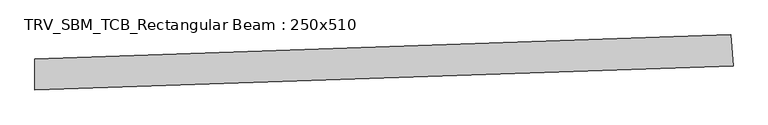
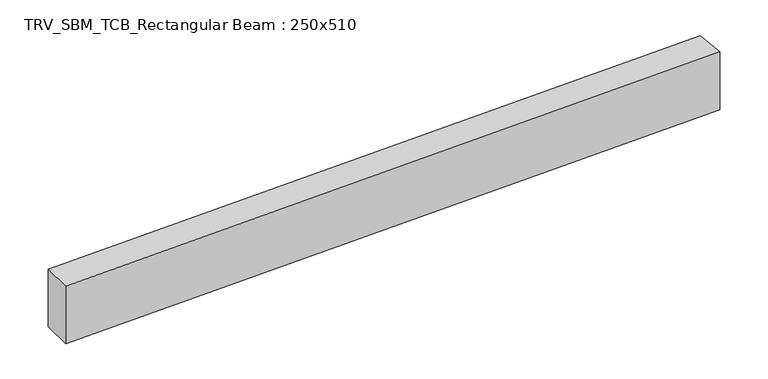
"""IFC4 building model written with IfcOpenShell, lengths in millimetres: beam geometry, TRV_SBM_TCB_Rectangular Beam : 250x510."""

import ifcopenshell
import ifcopenshell.guid

model = None  # the IFC model being written
_history = None  # IfcOwnerHistory: only IFC2X3 demands one
_inside = {}  # id of a spatial element -> (the spatial element, [elements in it])
_under = {}  # id of a project, library or spatial element -> (it, [spatial elements below it])
_declared = {}  # id of a project -> (the project, [libraries it declares])
_typed = {}  # id of a type object -> (the type object, [elements of that type])
_made_of = {}  # id of a material, layer set ... -> (it, [elements and type objects made of it])


def new_model(schema):
    """Start an empty IFC model of exactly this schema.

    Asked for "IFC4X3", IfcOpenShell would pick the latest addendum, in which some entities
    have other attributes; the version numbers below select the first issue.
    IFC2X3 requires an IfcOwnerHistory on every rooted entity: one is made here for all.
    """
    global model, _history
    if schema == "IFC4X3":
        model = ifcopenshell.file(schema_version=(4, 3, 0, 0))
    else:
        model = ifcopenshell.file(schema=schema)
    _inside.clear()
    _under.clear()
    _declared.clear()
    _typed.clear()
    _made_of.clear()
    _history = None
    if model.schema == "IFC2X3":
        org = make("IfcOrganization", Name="unknown")
        user = make(
            "IfcPersonAndOrganization",
            ThePerson=make("IfcPerson", FamilyName="unknown"),
            TheOrganization=org,
        )
        app = make(
            "IfcApplication",
            ApplicationDeveloper=org,
            Version="unknown",
            ApplicationFullName="unknown",
            ApplicationIdentifier="unknown",
        )
        _history = make(
            "IfcOwnerHistory",
            OwningUser=user,
            OwningApplication=app,
            ChangeAction="ADDED",
            CreationDate=0,
        )
    return model


def make(cls, **values):
    """One entity of the class cls with the attributes given. An attribute that is None is left unset."""
    return model.create_entity(
        cls, **{name: value for name, value in values.items() if value is not None}
    )


def rooted(cls, **values):
    """An entity with a GlobalId (a new one), such as an element, a storey or a relation."""
    return make(cls, GlobalId=ifcopenshell.guid.new(), OwnerHistory=_history, **values)


def si_unit(unit_type, name, prefix=None):
    """IfcSIUnit, for example si_unit("LENGTHUNIT", "METRE", prefix="MILLI")."""
    return make("IfcSIUnit", UnitType=unit_type, Prefix=prefix, Name=name)


def assignment(units):
    """IfcUnitAssignment: the units of a project."""
    return None if units is None else make("IfcUnitAssignment", Units=units)


def point(xyz):
    """IfcCartesianPoint."""
    return None if xyz is None else make("IfcCartesianPoint", Coordinates=xyz)


def direction(xyz):
    """IfcDirection."""
    return None if xyz is None else make("IfcDirection", DirectionRatios=xyz)


def frame(location, z_axis=None, x_axis=None):
    """IfcAxis2Placement3D, a coordinate frame: its origin and axes. An axis left out is left unset."""
    return make(
        "IfcAxis2Placement3D",
        Location=point(location),
        Axis=direction(z_axis),
        RefDirection=direction(x_axis),
    )


def frame_2d(location, x_axis=None):
    """IfcAxis2Placement2D, a coordinate frame in the plane: its origin and x axis."""
    return make(
        "IfcAxis2Placement2D", Location=point(location), RefDirection=direction(x_axis)
    )


def origin():
    """The frame at (0, 0, 0) with its axes left unset."""
    return frame((0.0, 0.0, 0.0))


def place(relative_to, where):
    """IfcLocalPlacement: puts the frame where relative to a parent placement (None: the world)."""
    return make(
        "IfcLocalPlacement", PlacementRelTo=relative_to, RelativePlacement=where
    )


def context(
    kind, dimensions, precision=None, world=None, true_north=None, identifier=None
):
    """IfcGeometricRepresentationContext, for example the 3D "Model" context."""
    return make(
        "IfcGeometricRepresentationContext",
        ContextIdentifier=identifier,
        ContextType=kind,
        CoordinateSpaceDimension=dimensions,
        Precision=precision,
        WorldCoordinateSystem=world,
        TrueNorth=true_north,
    )


def project(units=None, contexts=None):
    """IfcProject with its units and contexts."""
    return rooted(
        "IfcProject",
        Name="project",
        RepresentationContexts=contexts,
        UnitsInContext=assignment(units),
    )


def spatial(cls, under=None, at=None, **own):
    """A site, building, storey or space (cls), placed at a placement, below another one or the project."""
    s = rooted(cls, ObjectPlacement=at, **own)
    if under is not None:
        _under.setdefault(under.id(), (under, []))[1].append(s)
    return s


def polyline(points):
    """IfcPolyline through the points."""
    return make("IfcPolyline", Points=[point(p) for p in points])


def circle_curve(where, radius):
    """IfcCircle in the frame where."""
    return make("IfcCircle", Position=where, Radius=radius)


def trimmed(basis, trim1, trim2, sense, master):
    """IfcTrimmedCurve: the piece of a basis curve between two trims."""
    return make(
        "IfcTrimmedCurve",
        BasisCurve=basis,
        Trim1=trim1,
        Trim2=trim2,
        SenseAgreement=sense,
        MasterRepresentation=master,
    )


def segment(curve, same_sense, transition):
    """IfcCompositeCurveSegment."""
    return make(
        "IfcCompositeCurveSegment",
        Transition=transition,
        SameSense=same_sense,
        ParentCurve=curve,
    )


def composite_curve(segments, self_intersect=None):
    """IfcCompositeCurve: segments joined end to end."""
    return make("IfcCompositeCurve", Segments=segments, SelfIntersect=self_intersect)


def outline(outer, holes=None, kind="AREA"):
    """IfcArbitraryClosedProfileDef: a profile drawn as a closed curve; with holes, ...WithVoids."""
    if holes is None:
        return make("IfcArbitraryClosedProfileDef", ProfileType=kind, OuterCurve=outer)
    return make(
        "IfcArbitraryProfileDefWithVoids",
        ProfileType=kind,
        OuterCurve=outer,
        InnerCurves=holes,
    )


def extrude(swept, where, along, depth):
    """IfcExtrudedAreaSolid: the profile swept, set in the frame where, extruded along a direction by depth."""
    return make(
        "IfcExtrudedAreaSolid",
        SweptArea=swept,
        Position=where,
        ExtrudedDirection=direction(along),
        Depth=depth,
    )


def shape(context_of_items, identifier, shape_type, items):
    """IfcShapeRepresentation: the items that make up one representation, for example the "Body"."""
    return make(
        "IfcShapeRepresentation",
        ContextOfItems=context_of_items,
        RepresentationIdentifier=identifier,
        RepresentationType=shape_type,
        Items=items,
    )


def source(mapping_origin, context_of_items, identifier, shape_type, items):
    """IfcRepresentationMap: a shape defined once, which mapped items show again and again."""
    return make(
        "IfcRepresentationMap",
        MappingOrigin=mapping_origin,
        MappedRepresentation=shape(context_of_items, identifier, shape_type, items),
    )


def transform(
    local_origin,
    x_axis=None,
    y_axis=None,
    z_axis=None,
    scale=None,
    scale2=None,
    scale3=None,
    uniform=True,
):
    """IfcCartesianTransformationOperator3D, or its non-uniform kind. x_axis, y_axis, z_axis: its Axis1, 2, 3."""
    if uniform:
        return make(
            "IfcCartesianTransformationOperator3D",
            Axis1=direction(x_axis),
            Axis2=direction(y_axis),
            LocalOrigin=point(local_origin),
            Scale=scale,
            Axis3=direction(z_axis),
        )
    return make(
        "IfcCartesianTransformationOperator3DnonUniform",
        Axis1=direction(x_axis),
        Axis2=direction(y_axis),
        LocalOrigin=point(local_origin),
        Scale=scale,
        Axis3=direction(z_axis),
        Scale2=scale2,
        Scale3=scale3,
    )


def mapped(mapping_source, mapping_target):
    """IfcMappedItem: shows the shape of a source again, moved by a transform."""
    return make(
        "IfcMappedItem", MappingSource=mapping_source, MappingTarget=mapping_target
    )


def made_of(thing, what):
    """Note that an element or type object is made of a material, layer set ...; save() writes the relation."""
    if what is not None:
        _made_of.setdefault(what.id(), (what, []))[1].append(thing)
    return thing


def element(
    cls,
    number,
    at=None,
    inside=None,
    cuts=None,
    type_object=None,
    material=None,
    context=None,
    identifier="Body",
    shape_type=None,
    held_by="IfcProductDefinitionShape",
    body=None,
    shapes=None,
    **own,
):
    """One element of the class cls, such as IfcWall. Its Tag is "e" and its number.

    at: its placement. inside: the storey or other place that contains it. cuts: it is an
    opening in that element (IfcRelVoidsElement). A single representation is given by context,
    identifier, shape_type and body (its items); several are given by shapes. held_by: the class
    of the entity that holds the representations. save() writes the other relations.
    """
    e = rooted(cls, Tag="e%d" % number, ObjectPlacement=at, **own)
    if body is not None:
        shapes = [shape(context, identifier, shape_type, body)]
    if shapes is not None:
        e.Representation = make(held_by, Representations=shapes)
    if inside is not None:
        _inside.setdefault(inside.id(), (inside, []))[1].append(e)
    if cuts is not None:
        rooted(
            "IfcRelVoidsElement", RelatingBuildingElement=cuts, RelatedOpeningElement=e
        )
    if type_object is not None:
        _typed.setdefault(type_object.id(), (type_object, []))[1].append(e)
    return made_of(e, material)


def aggregate(whole, parts):
    """IfcRelAggregates: a whole, such as a stair, and the parts it consists of."""
    return rooted("IfcRelAggregates", RelatingObject=whole, RelatedObjects=parts)


def save(model, path):
    """Write the relations noted so far, then the file.

    IfcRelAggregates (storeys below a building ...), IfcRelContainedInSpatialStructure (elements
    in a storey), IfcRelDefinesByType, IfcRelAssociatesMaterial and IfcRelDeclares: one each for
    every whole, place, type object, material and project.
    """
    for whole, parts in _under.values():
        aggregate(whole, parts)
    for where, things in _inside.values():
        rooted(
            "IfcRelContainedInSpatialStructure",
            RelatedElements=things,
            RelatingStructure=where,
        )
    for kind, things in _typed.values():
        rooted("IfcRelDefinesByType", RelatedObjects=things, RelatingType=kind)
    for what, things in _made_of.values():
        rooted("IfcRelAssociatesMaterial", RelatedObjects=things, RelatingMaterial=what)
    for by, libraries in _declared.values():
        rooted("IfcRelDeclares", RelatingContext=by, RelatedDefinitions=libraries)
    model.write(path)


def trv_sbm_tcb_rectangular_beam_250x510_58c06196(model_context):
    return source(origin(), model_context, "Body", "SweptSolid", [
        extrude(outline(composite_curve([segment(polyline([(5560.4855861, 318.892917), (5577.8993034, 69.5001295)]), True, "CONTINUOUS"), segment(trimmed(circle_curve(frame_2d((0.0, 79954.100757)), 80079.100757), [point((5577.8993034, 69.5001295))], [point((-12.7198682, -124.9989898))], False, "CARTESIAN"), True, "CONTINUOUS"), segment(polyline([(-12.7198682, -124.9989898), (-12.6801579, 125.0010071)]), True, "CONTINUOUS"), segment(trimmed(circle_curve(frame_2d((0.0, 79954.100757)), 79829.100757), [point((-12.6801579, 125.0010071))], [point((5560.4855861, 318.892917))], True, "CARTESIAN"), True, "CONTINUOUS")], self_intersect=False)), frame((0.0, 0.0, -255.0), z_axis=(0.0, 0.0, 1.0), x_axis=(1.0, 0.0, 0.0)), (0.0, 0.0, 1.0), 510.0),
    ])


if __name__ == "__main__":
    model = new_model("IFC4")
    model_context = context("Model", 3, world=origin())
    ifc_project = project(units=[si_unit("LENGTHUNIT", "METRE", prefix="MILLI")], contexts=[model_context])
    site = spatial("IfcSite", under=ifc_project)
    building = spatial("IfcBuilding", under=site)
    placement = place(None, origin())
    trv_sbm_tcb_rectangular_beam_250x510_shape = trv_sbm_tcb_rectangular_beam_250x510_58c06196(model_context)
    element("IfcBeam", 1, ObjectType="TRV_SBM_TCB_Rectangular Beam : 250x510", at=placement, inside=building, context=model_context, shape_type="MappedRepresentation", body=[
        mapped(trv_sbm_tcb_rectangular_beam_250x510_shape, transform((0.0, 0.0, 0.0), x_axis=(1.0, 0.0, 0.0), y_axis=(0.0, 1.0, 0.0), z_axis=(0.0, 0.0, 1.0))),
    ])
    save(model, "model.ifc")
